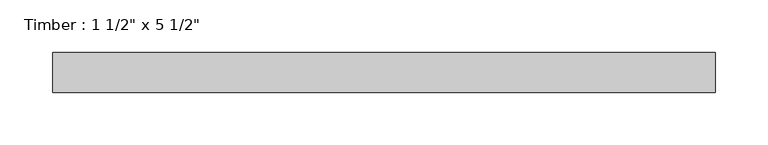
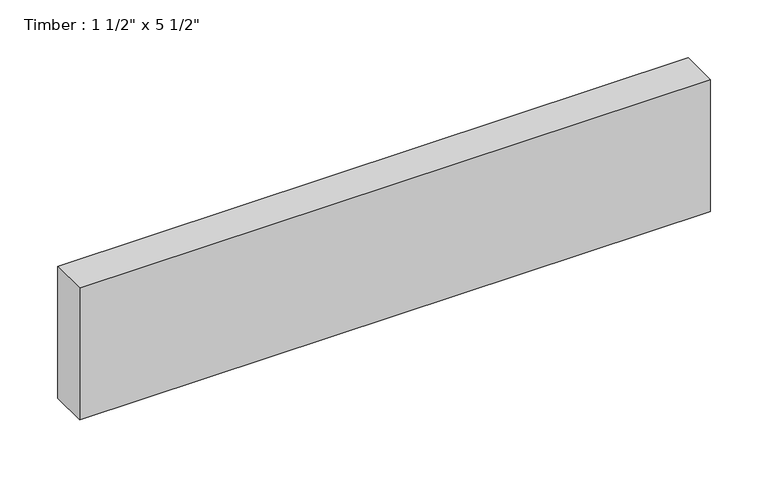
"""IFC4 building model written with IfcOpenShell, lengths in millimetres: beam geometry."""

from ifc_helpers import new_model, si_unit, frame, origin, place, context, project, spatial, polyline, outline, extrude, source, transform, mapped, element, save


def beam_3ac3f662(model_context):
    return source(origin(), model_context, "Body", "SweptSolid", [
        extrude(outline(polyline([(315.650522, 19.05), (315.650522, -19.05), (-315.650522, -19.05), (-315.650522, 19.05), (315.650522, 19.05)])), frame((0.0, 0.0, -69.85), z_axis=(0.0, 0.0, 1.0), x_axis=(1.0, 0.0, 0.0)), (0.0, 0.0, 1.0), 139.7),
    ])


if __name__ == "__main__":
    model = new_model("IFC4")
    model_context = context("Model", 3, world=origin())
    ifc_project = project(units=[si_unit("LENGTHUNIT", "METRE", prefix="MILLI")], contexts=[model_context])
    site = spatial("IfcSite", under=ifc_project)
    building = spatial("IfcBuilding", under=site)
    placement = place(None, origin())
    beam_shape = beam_3ac3f662(model_context)
    element("IfcBeam", 1, ObjectType="Timber : 1 1/2\" x 5 1/2\"", at=placement, inside=building, context=model_context, shape_type="MappedRepresentation", body=[
        mapped(beam_shape, transform((0.0, 0.0, 0.0), x_axis=(1.0, 0.0, 0.0), y_axis=(0.0, 1.0, 0.0), z_axis=(0.0, 0.0, 1.0))),
    ])
    save(model, "model.ifc")
